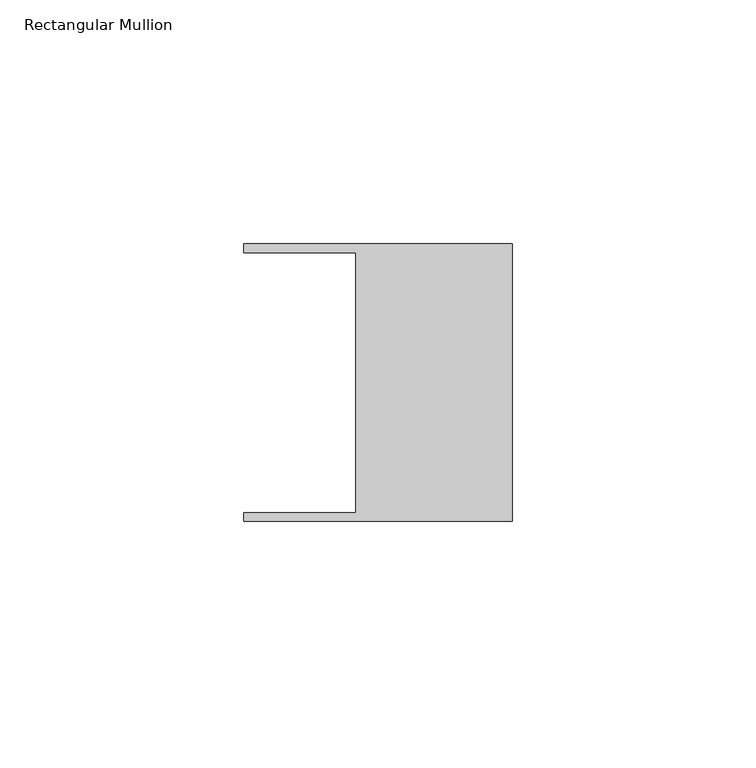
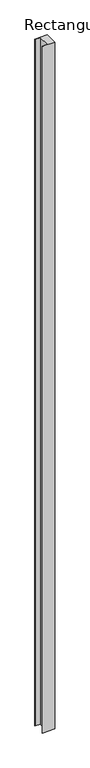
"""IFC4 building model written with IfcOpenShell, lengths in millimetres: member geometry, Rectangular Mullion."""

from ifc_helpers import new_model, si_unit, frame, origin, place, context, project, spatial, polyline, outline, extrude, source, transform, mapped, element, save


def rectangular_mullion_f0447755(model_context):
    return source(origin(), model_context, "Body", "SweptSolid", [
        extrude(outline(polyline([(-32.004, -26.67), (-32.004, 26.67), (-54.991, 26.67), (-54.991, 28.448), (0.0, 28.448), (0.0, -28.448), (-54.991, -28.448), (-54.991, -26.67), (-32.004, -26.67)])), frame((0.0, 0.0, -3217.8625), z_axis=(0.0, 0.0, 1.0), x_axis=(1.0, 0.0, 0.0)), (0.0, 0.0, 1.0), 3217.8625),
    ])


if __name__ == "__main__":
    model = new_model("IFC4")
    model_context = context("Model", 3, world=origin())
    ifc_project = project(units=[si_unit("LENGTHUNIT", "METRE", prefix="MILLI")], contexts=[model_context])
    site = spatial("IfcSite", under=ifc_project)
    building = spatial("IfcBuilding", under=site)
    placement = place(None, origin())
    rectangular_mullion_shape = rectangular_mullion_f0447755(model_context)
    element("IfcMember", 1, ObjectType="Rectangular Mullion", at=placement, inside=building, context=model_context, shape_type="MappedRepresentation", body=[
        mapped(rectangular_mullion_shape, transform((0.0, 0.0, 0.0), x_axis=(1.0, 0.0, 0.0), y_axis=(0.0, 1.0, 0.0), z_axis=(0.0, 0.0, 1.0))),
    ])
    save(model, "model.ifc")
